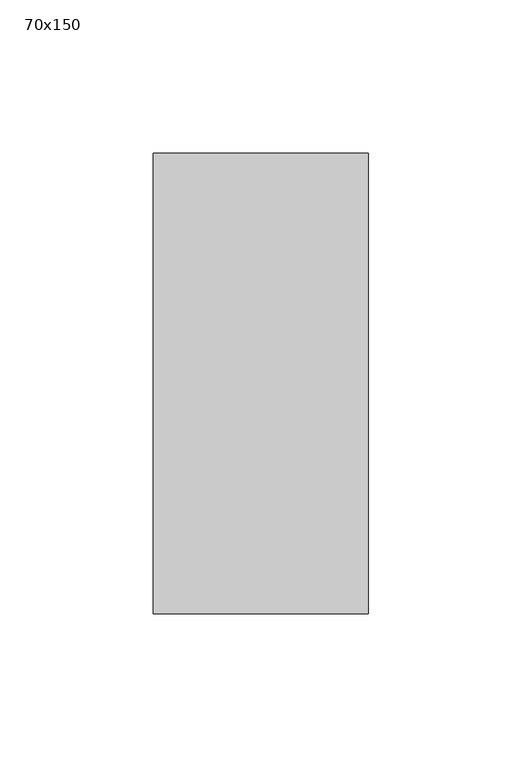
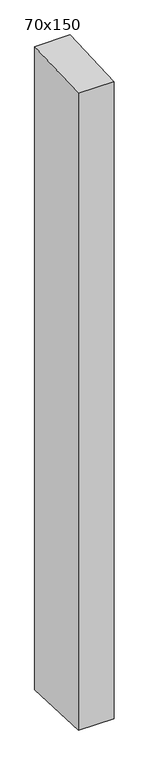
"""IFC4 building model written with IfcOpenShell, lengths in millimetres: member geometry, 70x150."""

from ifc_helpers import new_model, si_unit, frame, origin, place, context, project, spatial, polyline, outline, extrude, source, transform, mapped, element, save


def member_70x150_f545e678(model_context):
    return source(origin(), model_context, "Body", "SweptSolid", [
        extrude(outline(polyline([(-75.0, -3.5103515), (75.0, 3.5103515), (75.0, -1340.8103733), (-75.0, -1335.0460967), (-75.0, -3.5103515)])), frame((-70.0, 0.0, 0.0), z_axis=(1.0, 0.0, 0.0), x_axis=(0.0, 1.0, 0.0)), (0.0, 0.0, 1.0), 70.0),
    ])


if __name__ == "__main__":
    model = new_model("IFC4")
    model_context = context("Model", 3, world=origin())
    ifc_project = project(units=[si_unit("LENGTHUNIT", "METRE", prefix="MILLI")], contexts=[model_context])
    site = spatial("IfcSite", under=ifc_project)
    building = spatial("IfcBuilding", under=site)
    placement = place(None, origin())
    member_70x150_shape = member_70x150_f545e678(model_context)
    element("IfcMember", 1, ObjectType="70x150", at=placement, inside=building, context=model_context, shape_type="MappedRepresentation", body=[
        mapped(member_70x150_shape, transform((0.0, 0.0, 0.0), x_axis=(1.0, 0.0, 0.0), y_axis=(0.0, 1.0, 0.0), z_axis=(0.0, 0.0, 1.0))),
    ])
    save(model, "model.ifc")
